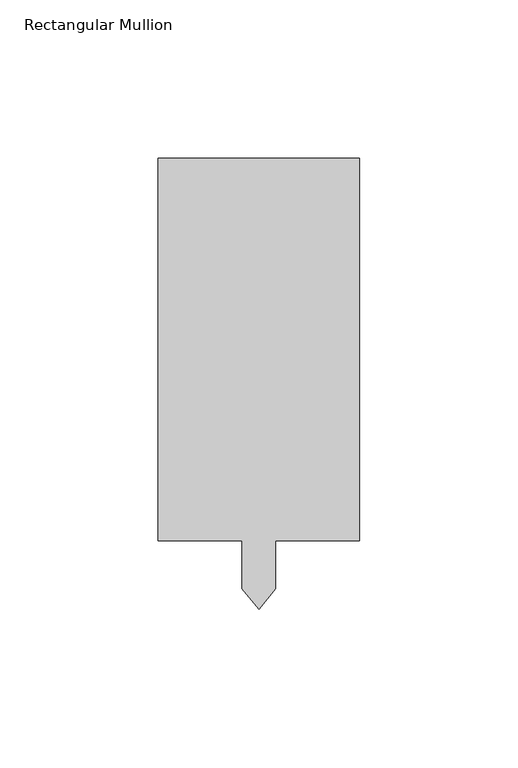
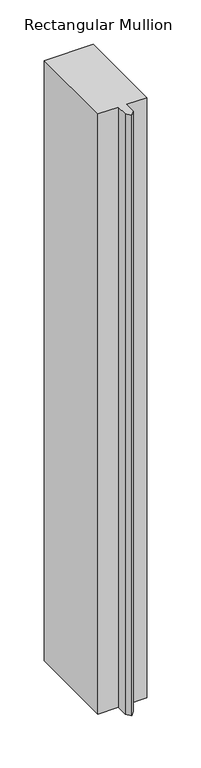
"""IFC4 building model written with IfcOpenShell, lengths in millimetres: member geometry, Rectangular Mullion."""

from ifc_helpers import new_model, si_unit, frame, origin, place, context, project, spatial, polyline, outline, extrude, source, transform, mapped, element, save


def rectangular_mullion_ee4ddd43(model_context):
    return source(origin(), model_context, "Body", "SweptSolid", [
        extrude(outline(polyline([(31.75, 152.4), (31.75, 31.75), (5.3213, 31.75), (5.3213, 16.5462869), (0.0, 10.2046085), (-5.3213, 16.5462869), (-5.3213, 31.75), (-31.75, 31.75), (-31.75, 152.4), (31.75, 152.4)])), frame((0.0, 0.0, -825.4868072), z_axis=(0.0, 0.0, 1.0), x_axis=(1.0, 0.0, 0.0)), (0.0, 0.0, 1.0), 825.4868072),
    ])


if __name__ == "__main__":
    model = new_model("IFC4")
    model_context = context("Model", 3, world=origin())
    ifc_project = project(units=[si_unit("LENGTHUNIT", "METRE", prefix="MILLI")], contexts=[model_context])
    site = spatial("IfcSite", under=ifc_project)
    building = spatial("IfcBuilding", under=site)
    placement = place(None, origin())
    rectangular_mullion_shape = rectangular_mullion_ee4ddd43(model_context)
    element("IfcMember", 1, ObjectType="Rectangular Mullion", at=placement, inside=building, context=model_context, shape_type="MappedRepresentation", body=[
        mapped(rectangular_mullion_shape, transform((0.0, 0.0, 0.0), x_axis=(1.0, 0.0, 0.0), y_axis=(0.0, 1.0, 0.0), z_axis=(0.0, 0.0, 1.0))),
    ])
    save(model, "model.ifc")
